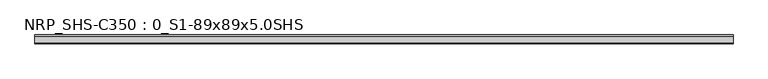
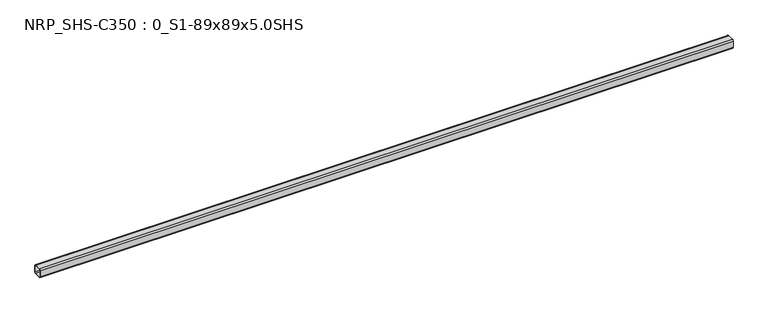
"""IFC4 building model written with IfcOpenShell, lengths in millimetres: beam geometry, NRP_SHS-C350 : 0_S1-89x89x5.0SHS."""

from ifc_helpers import new_model, si_unit, point, frame, frame_2d, origin, place, context, project, spatial, polyline, circle_curve, trimmed, segment, composite_curve, outline, extrude, source, transform, mapped, element, save


def nrp_shs_c350_0_s1_89x89x5_0shs_6dc9bd77(model_context):
    return source(origin(), model_context, "Body", "SweptSolid", [
        extrude(outline(composite_curve([segment(polyline([(44.5, 32.0), (44.5, -32.0)]), True, "CONTINUOUS"), segment(trimmed(circle_curve(frame_2d((32.0, -32.0)), 12.5), [point((44.5, -32.0))], [point((32.0, -44.5))], False, "CARTESIAN"), True, "CONTINUOUS"), segment(polyline([(32.0, -44.5), (-32.0, -44.5)]), True, "CONTINUOUS"), segment(trimmed(circle_curve(frame_2d((-32.0, -32.0)), 12.5), [point((-32.0, -44.5))], [point((-44.5, -32.0))], False, "CARTESIAN"), True, "CONTINUOUS"), segment(polyline([(-44.5, -32.0), (-44.5, 32.0)]), True, "CONTINUOUS"), segment(trimmed(circle_curve(frame_2d((-32.0, 32.0)), 12.5), [point((-44.5, 32.0))], [point((-32.0, 44.5))], False, "CARTESIAN"), True, "CONTINUOUS"), segment(polyline([(-32.0, 44.5), (32.0, 44.5)]), True, "CONTINUOUS"), segment(trimmed(circle_curve(frame_2d((32.0, 32.0)), 12.5), [point((32.0, 44.5))], [point((44.5, 32.0))], False, "CARTESIAN"), True, "CONTINUOUS")], self_intersect=False), holes=[composite_curve([segment(trimmed(circle_curve(frame_2d((-32.0, 32.0)), 7.5), [point((-32.0, 39.5))], [point((-39.5, 32.0))], True, "CARTESIAN"), True, "CONTINUOUS"), segment(polyline([(-39.5, 32.0), (-39.5, -32.0)]), True, "CONTINUOUS"), segment(trimmed(circle_curve(frame_2d((-32.0, -32.0)), 7.5), [point((-39.5, -32.0))], [point((-32.0, -39.5))], True, "CARTESIAN"), True, "CONTINUOUS"), segment(polyline([(-32.0, -39.5), (32.0, -39.5)]), True, "CONTINUOUS"), segment(trimmed(circle_curve(frame_2d((32.0, -32.0)), 7.5), [point((32.0, -39.5))], [point((39.5, -32.0))], True, "CARTESIAN"), True, "CONTINUOUS"), segment(polyline([(39.5, -32.0), (39.5, 32.0)]), True, "CONTINUOUS"), segment(trimmed(circle_curve(frame_2d((32.0, 32.0)), 7.5), [point((39.5, 32.0))], [point((32.0, 39.5))], True, "CARTESIAN"), True, "CONTINUOUS"), segment(polyline([(32.0, 39.5), (-32.0, 39.5)]), True, "CONTINUOUS")], self_intersect=False)]), frame((-3426.5, 0.0, 0.0), z_axis=(1.0, 0.0, 0.0), x_axis=(0.0, 1.0, 0.0)), (0.0, 0.0, 1.0), 6874.0),
    ])


if __name__ == "__main__":
    model = new_model("IFC4")
    model_context = context("Model", 3, world=origin())
    ifc_project = project(units=[si_unit("LENGTHUNIT", "METRE", prefix="MILLI")], contexts=[model_context])
    site = spatial("IfcSite", under=ifc_project)
    building = spatial("IfcBuilding", under=site)
    placement = place(None, origin())
    nrp_shs_c350_0_s1_89x89x5_0shs_shape = nrp_shs_c350_0_s1_89x89x5_0shs_6dc9bd77(model_context)
    element("IfcBeam", 1, ObjectType="NRP_SHS-C350 : 0_S1-89x89x5.0SHS", at=placement, inside=building, context=model_context, shape_type="MappedRepresentation", body=[
        mapped(nrp_shs_c350_0_s1_89x89x5_0shs_shape, transform((0.0, 0.0, 0.0), x_axis=(1.0, 0.0, 0.0), y_axis=(0.0, 1.0, 0.0), z_axis=(0.0, 0.0, 1.0))),
    ])
    save(model, "model.ifc")
